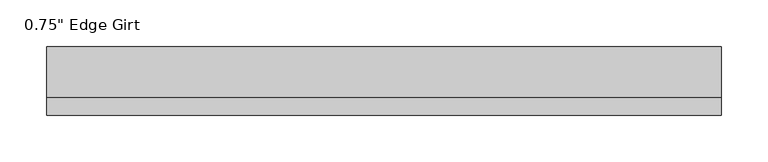
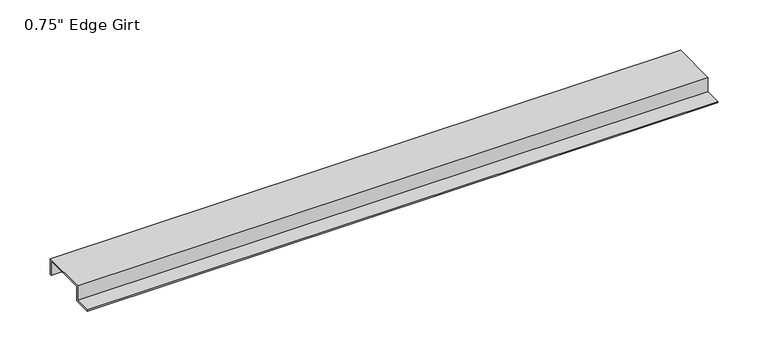
"""IFC4 building model written with IfcOpenShell, lengths in millimetres: proxy geometry."""

from ifc_helpers import new_model, si_unit, frame, origin, place, context, project, spatial, polyline, outline, extrude, source, transform, mapped, element, save


def proxy_be582a66(model_context):
    return source(origin(), model_context, "Body", "SweptSolid", [
        extrude(outline(polyline([(-46.0559645, -17.4375), (-46.0559645, -15.8242), (-27.0129, -15.8242), (-27.0129, 1.6129), (27.0129, 1.6129), (27.0129, -17.4375), (25.4, -17.4375), (25.4, 0.0), (-25.4, 0.0), (-25.4, -17.4375), (-46.0559645, -17.4375)])), frame((0.0, 0.0, 0.0), z_axis=(1.0, 0.0, 0.0), x_axis=(0.0, 1.0, 0.0)), (0.0, 0.0, 1.0), 720.9809575),
    ])


if __name__ == "__main__":
    model = new_model("IFC4")
    model_context = context("Model", 3, world=origin())
    ifc_project = project(units=[si_unit("LENGTHUNIT", "METRE", prefix="MILLI")], contexts=[model_context])
    site = spatial("IfcSite", under=ifc_project)
    building = spatial("IfcBuilding", under=site)
    placement = place(None, origin())
    proxy_shape = proxy_be582a66(model_context)
    element("IfcBuildingElementProxy", 1, Name="0.75\" Edge Girt", ObjectType="0.75\" Edge Girt", at=placement, inside=building, context=model_context, shape_type="MappedRepresentation", body=[
        mapped(proxy_shape, transform((0.0, 0.0, 0.0), x_axis=(1.0, 0.0, 0.0), y_axis=(0.0, 1.0, 0.0), z_axis=(0.0, 0.0, 1.0))),
    ])
    save(model, "model.ifc")
